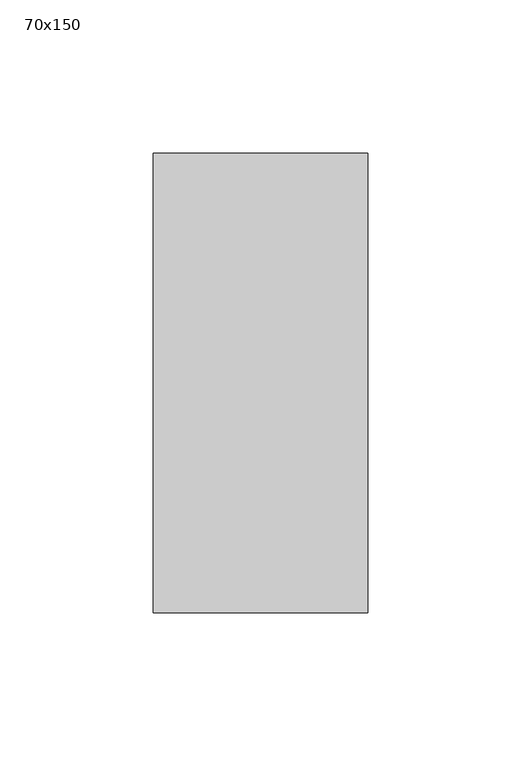
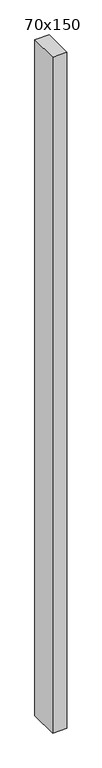
"""IFC4 building model written with IfcOpenShell, lengths in millimetres: member geometry, 70x150."""

from ifc_helpers import new_model, si_unit, frame, origin, place, context, project, spatial, polyline, outline, extrude, source, transform, mapped, element, save


def member_70x150_96cc92f8(model_context):
    return source(origin(), model_context, "Body", "SweptSolid", [
        extrude(outline(polyline([(35.0, 75.0), (35.0, -75.0), (-35.0, -75.0), (-35.0, 75.0), (35.0, 75.0)])), frame((0.0, 0.0, -3500.0), z_axis=(0.0, 0.0, 1.0), x_axis=(1.0, 0.0, 0.0)), (0.0, 0.0, 1.0), 3500.0),
    ])


if __name__ == "__main__":
    model = new_model("IFC4")
    model_context = context("Model", 3, world=origin())
    ifc_project = project(units=[si_unit("LENGTHUNIT", "METRE", prefix="MILLI")], contexts=[model_context])
    site = spatial("IfcSite", under=ifc_project)
    building = spatial("IfcBuilding", under=site)
    placement = place(None, origin())
    member_70x150_shape = member_70x150_96cc92f8(model_context)
    element("IfcMember", 1, ObjectType="70x150", at=placement, inside=building, context=model_context, shape_type="MappedRepresentation", body=[
        mapped(member_70x150_shape, transform((0.0, 0.0, 0.0), x_axis=(1.0, 0.0, 0.0), y_axis=(0.0, 1.0, 0.0), z_axis=(0.0, 0.0, 1.0))),
    ])
    save(model, "model.ifc")
